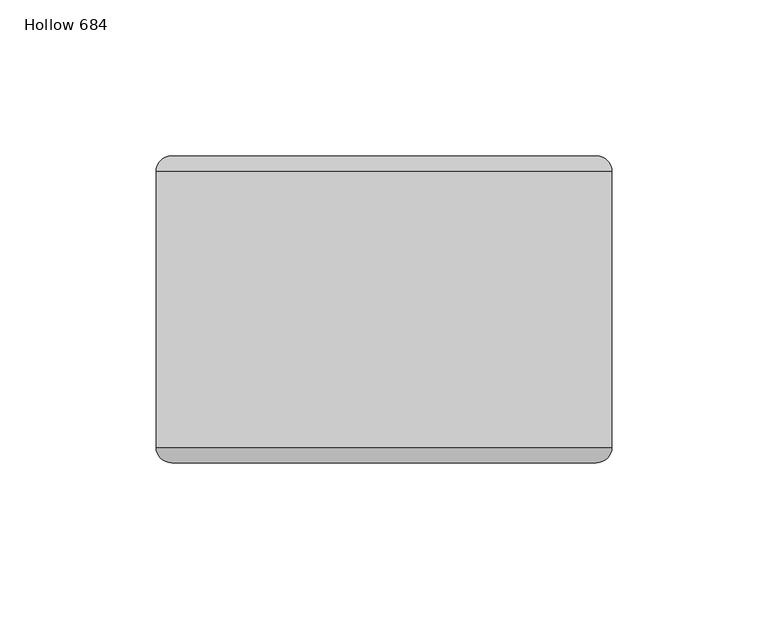
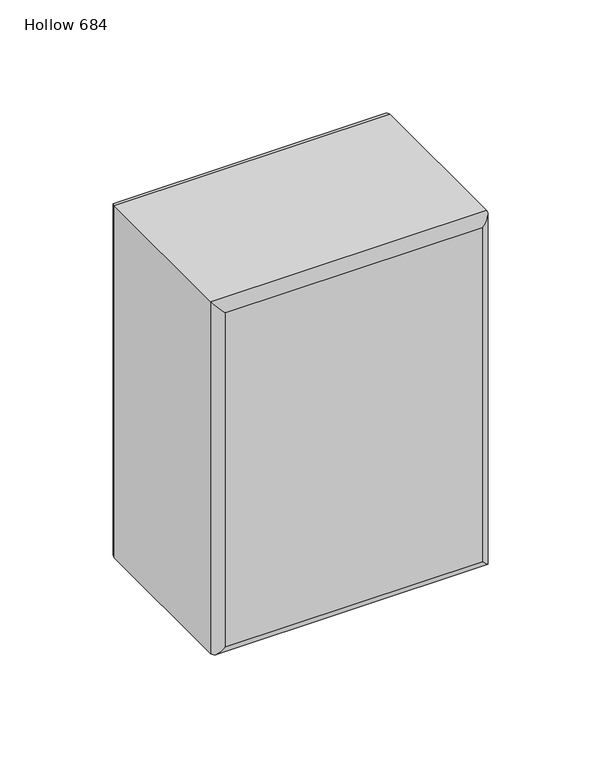
"""IFC4 building model written with IfcOpenShell, lengths in millimetres: plate geometry, Hollow 684."""

from ifc_helpers import new_model, si_unit, frame, origin, place, context, project, spatial, ellipse_curve, source, transform, mapped, element, save
from ifc_brep_helpers import plane_surface, cylinder_surface, advanced_brep


def hollow_684_82236470(model_context):
    return source(origin(), model_context, "Body", "AdvancedBrep", [
        advanced_brep(
        [(-73.025, -44.2, 197.0), (73.075, -44.2, 197.0), (73.075, 44.2, 197.0), (-73.025, 44.2, 197.0), (73.075, -44.2, 0.0), (-73.025, -44.2, 0.0), (-73.025, 44.2, 0.0), (73.075, 44.2, 0.0), (-68.025, -49.2, 5.0), (68.075, -49.2, 5.0), (68.075, -49.2, 192.0), (-68.025, -49.2, 192.0), (68.075, 49.2, 5.0), (-68.025, 49.2, 5.0), (-68.025, 49.2, 192.0), (68.075, 49.2, 192.0)],
        [
            (0, 1),
            (1, 2),
            (2, 3),
            (3, 0),
            (4, 5),
            (5, 6),
            (6, 7),
            (7, 4),
            (8, 9),
            (9, 10),
            (10, 11),
            (11, 8),
            (1, 4),
            (7, 2),
            (12, 13),
            (13, 14),
            (14, 15),
            (15, 12),
            (5, 0),
            (3, 6),
            (4, 9, ellipse_curve(frame((68.075, -44.2, 5.0), z_axis=(-0.7071067811865475, 0.0, -0.7071067811865475), x_axis=(0.7071067811865476, 0.0, -0.7071067811865474)), 7.0710678, 5.0)),
            (8, 5, ellipse_curve(frame((-68.025, -44.2, 5.0), z_axis=(0.7071067811865475, 0.0, -0.7071067811865475), x_axis=(0.7071067811865476, 0.0, 0.7071067811865474)), 7.0710678, 5.0)),
            (1, 10, ellipse_curve(frame((68.075, -44.2, 192.0), z_axis=(0.7071067811865475, 0.0, -0.7071067811865475), x_axis=(0.7071067811865474, 0.0, 0.7071067811865476)), 7.0710678, 5.0)),
            (0, 11, ellipse_curve(frame((-68.025, -44.2, 192.0), z_axis=(0.7071067811865475, 0.0, 0.7071067811865475), x_axis=(-0.7071067811865476, 0.0, 0.7071067811865474)), 7.0710678, 5.0)),
            (12, 7, ellipse_curve(frame((68.075, 44.2, 5.0), z_axis=(-0.7071067811865475, 0.0, -0.7071067811865475), x_axis=(0.7071067811865476, 0.0, -0.7071067811865474)), 7.0710678, 5.0)),
            (6, 13, ellipse_curve(frame((-68.025, 44.2, 5.0), z_axis=(0.7071067811865475, 0.0, -0.7071067811865475), x_axis=(0.7071067811865476, 0.0, 0.7071067811865474)), 7.0710678, 5.0)),
            (15, 2, ellipse_curve(frame((68.075, 44.2, 192.0), z_axis=(0.7071067811865475, 0.0, -0.7071067811865475), x_axis=(0.7071067811865474, 0.0, 0.7071067811865476)), 7.0710678, 5.0)),
            (14, 3, ellipse_curve(frame((-68.025, 44.2, 192.0), z_axis=(0.7071067811865475, 0.0, 0.7071067811865475), x_axis=(-0.7071067811865476, 0.0, 0.7071067811865474)), 7.0710678, 5.0)),
        ],
        [
            plane_surface(frame((-73.025, -49.2, 197.0), z_axis=(0.0, 0.0, 1.0), x_axis=(1.0, 0.0, 0.0))),
            plane_surface(frame((-73.025, -49.2, 0.0), z_axis=(0.0, 0.0, -1.0), x_axis=(-1.0, 0.0, 0.0))),
            plane_surface(frame((-73.025, -49.2, 197.0), z_axis=(0.0, -1.0, 0.0), x_axis=(0.0, 0.0, -1.0))),
            plane_surface(frame((73.075, -49.2, 197.0), z_axis=(1.0, 0.0, 0.0), x_axis=(0.0, 0.0, -1.0))),
            plane_surface(frame((73.075, 49.2, 197.0), z_axis=(0.0, 1.0, 0.0), x_axis=(0.0, 0.0, -1.0))),
            plane_surface(frame((-73.025, 49.2, 197.0), z_axis=(-1.0, 0.0, 0.0), x_axis=(0.0, 0.0, -1.0))),
            cylinder_surface(frame((-73.025, -44.2, 5.0), z_axis=(1.0, 0.0, 0.0), x_axis=(0.0, 0.0, -1.0)), 5.0),
            cylinder_surface(frame((68.075, -44.2, 0.0), z_axis=(0.0, 0.0, 1.0), x_axis=(1.0, 0.0, 0.0)), 5.0),
            cylinder_surface(frame((73.075, -44.2, 192.0), z_axis=(-1.0, 0.0, 0.0), x_axis=(0.0, 0.0, 1.0)), 5.0),
            cylinder_surface(frame((-68.025, -44.2, 197.0), z_axis=(0.0, 0.0, -1.0), x_axis=(-1.0, 0.0, 0.0)), 5.0),
            cylinder_surface(frame((-73.025, 44.2, 5.0), z_axis=(1.0, 0.0, 0.0), x_axis=(0.0, 0.0, -1.0)), 5.0),
            cylinder_surface(frame((68.075, 44.2, 0.0), z_axis=(0.0, 0.0, 1.0), x_axis=(1.0, 0.0, 0.0)), 5.0),
            cylinder_surface(frame((73.075, 44.2, 192.0), z_axis=(-1.0, 0.0, 0.0), x_axis=(0.0, 0.0, 1.0)), 5.0),
            cylinder_surface(frame((-68.025, 44.2, 197.0), z_axis=(0.0, 0.0, -1.0), x_axis=(-1.0, 0.0, 0.0)), 5.0),
        ],
        [
            (0, [[1, 2, 3, 4]]),
            (1, [[5, 6, 7, 8]]),
            (2, [[9, 10, 11, 12]]),
            (3, [[13, -8, 14, -2]]),
            (4, [[15, 16, 17, 18]]),
            (5, [[19, -4, 20, -6]]),
            (6, [[21, -9, 22, -5]]),
            (7, [[-21, -13, 23, -10]]),
            (8, [[-23, -1, 24, -11]]),
            (9, [[-22, -12, -24, -19]]),
            (10, [[25, -7, 26, -15]]),
            (11, [[-25, -18, 27, -14]]),
            (12, [[-27, -17, 28, -3]]),
            (13, [[-26, -20, -28, -16]]),
        ],
    ),
    ])


if __name__ == "__main__":
    model = new_model("IFC4")
    model_context = context("Model", 3, world=origin())
    ifc_project = project(units=[si_unit("LENGTHUNIT", "METRE", prefix="MILLI")], contexts=[model_context])
    site = spatial("IfcSite", under=ifc_project)
    building = spatial("IfcBuilding", under=site)
    placement = place(None, origin())
    hollow_684_shape = hollow_684_82236470(model_context)
    element("IfcPlate", 1, ObjectType="Hollow 684", at=placement, inside=building, context=model_context, shape_type="MappedRepresentation", body=[
        mapped(hollow_684_shape, transform((0.0, 0.0, 0.0), x_axis=(1.0, 0.0, 0.0), y_axis=(0.0, 1.0, 0.0), z_axis=(0.0, 0.0, 1.0))),
    ])
    save(model, "model.ifc")
